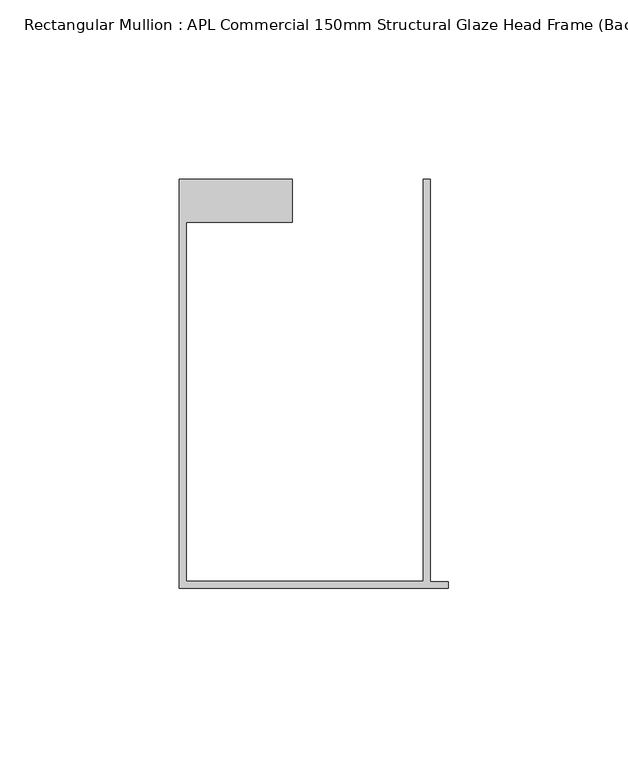
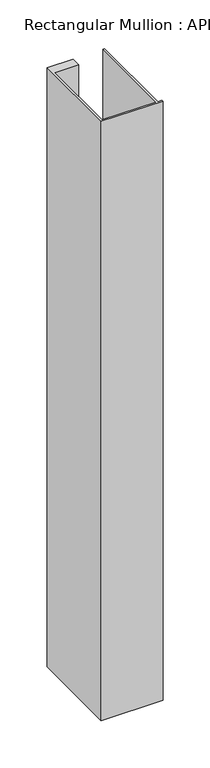
"""IFC4 building model written with IfcOpenShell, lengths in millimetres: member geometry, Rectangular Mullion : APL Commercial 150mm Structural Glaze Head Frame (Back)."""

from ifc_helpers import new_model, si_unit, frame, origin, place, context, project, spatial, polyline, outline, extrude, source, transform, mapped, element, save


def rectangular_mullion_apl_commercial_150mm_structural_glaze_2d788760(model_context):
    return source(origin(), model_context, "Body", "SweptSolid", [
        extrude(outline(polyline([(-75.0, -128.9993063), (-75.0, -14.9998342), (-43.5000151, -14.9998342), (-43.5000151, -26.9997514), (-73.0, -26.9997514), (-73.0, -126.9993063), (-7.0, -126.9993063), (-7.0, -14.9998342), (-5.0, -14.9998342), (-5.0, -127.1993063), (0.0, -127.1993063), (0.0, -128.9993063), (-75.0, -128.9993063)])), frame((0.0, 0.0, -771.4594221), z_axis=(0.0, 0.0, 1.0), x_axis=(1.0, 0.0, 0.0)), (0.0, 0.0, 1.0), 771.4594221),
    ])


if __name__ == "__main__":
    model = new_model("IFC4")
    model_context = context("Model", 3, world=origin())
    ifc_project = project(units=[si_unit("LENGTHUNIT", "METRE", prefix="MILLI")], contexts=[model_context])
    site = spatial("IfcSite", under=ifc_project)
    building = spatial("IfcBuilding", under=site)
    placement = place(None, origin())
    rectangular_mullion_apl_commercial_150mm_structural_glaze_shape = rectangular_mullion_apl_commercial_150mm_structural_glaze_2d788760(model_context)
    element("IfcMember", 1, ObjectType="Rectangular Mullion : APL Commercial 150mm Structural Glaze Head Frame (Back)", at=placement, inside=building, context=model_context, shape_type="MappedRepresentation", body=[
        mapped(rectangular_mullion_apl_commercial_150mm_structural_glaze_shape, transform((0.0, 0.0, 0.0), x_axis=(1.0, 0.0, 0.0), y_axis=(0.0, 1.0, 0.0), z_axis=(0.0, 0.0, 1.0))),
    ])
    save(model, "model.ifc")
